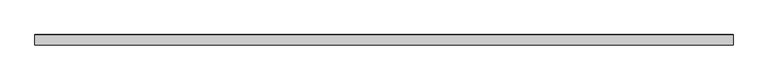
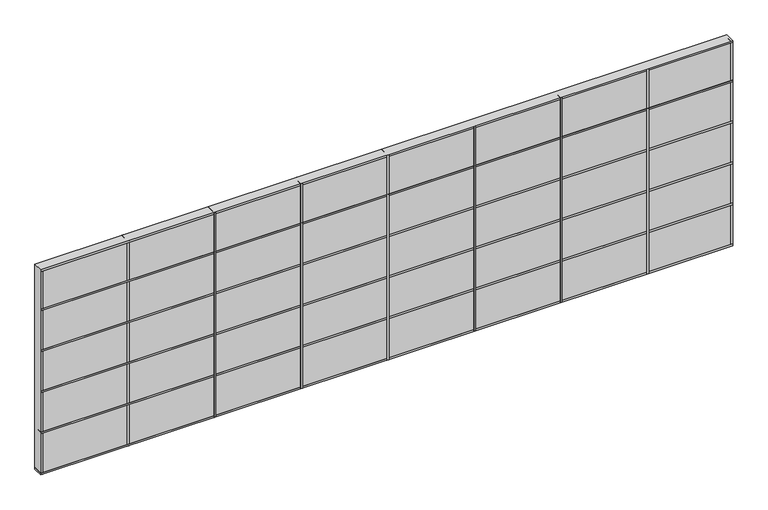
"""IFC4 building model written with IfcOpenShell, lengths in millimetres: plate geometry."""

from ifc_helpers import new_model, si_unit, frame, origin, origin_with_axes, place, context, project, spatial, polyline, outline, extrude, source, transform, mapped, element, save


def plate_61e68bfd(model_context):
    return source(origin(), model_context, "Body", "SweptSolid", [
        extrude(outline(polyline([(2435.225, 34.925), (2435.225, -34.925), (-2435.225, -34.925), (-2435.225, 34.925), (2435.225, 34.925)])), origin_with_axes(), (0.0, 0.0, 1.0), 1524.0),
        extrude(outline(polyline([(1844.675, 35.71875), (1844.675, -35.71875), (1831.975, -35.71875), (1831.975, 35.71875), (1844.675, 35.71875)])), origin_with_axes(), (0.0, 0.0, 1.0), 1524.0),
        extrude(outline(polyline([(1235.075, 35.71875), (1235.075, -35.71875), (1222.375, -35.71875), (1222.375, 35.71875), (1235.075, 35.71875)])), origin_with_axes(), (0.0, 0.0, 1.0), 1524.0),
        extrude(outline(polyline([(625.475, 35.71875), (625.475, -35.71875), (612.775, -35.71875), (612.775, 35.71875), (625.475, 35.71875)])), origin_with_axes(), (0.0, 0.0, 1.0), 1524.0),
        extrude(outline(polyline([(15.875, 35.71875), (15.875, -35.71875), (3.175, -35.71875), (3.175, 35.71875), (15.875, 35.71875)])), origin_with_axes(), (0.0, 0.0, 1.0), 1524.0),
        extrude(outline(polyline([(-593.725, 35.71875), (-593.725, -35.71875), (-606.425, -35.71875), (-606.425, 35.71875), (-593.725, 35.71875)])), origin_with_axes(), (0.0, 0.0, 1.0), 1524.0),
        extrude(outline(polyline([(-1203.325, 35.71875), (-1203.325, -35.71875), (-1216.025, -35.71875), (-1216.025, 35.71875), (-1203.325, 35.71875)])), origin_with_axes(), (0.0, 0.0, 1.0), 1524.0),
        extrude(outline(polyline([(2435.225, 35.71875), (2435.225, -35.71875), (-2435.225, -35.71875), (-2435.225, 35.71875), (2435.225, 35.71875)])), frame((0.0, 0.0, 1219.2), z_axis=(0.0, 0.0, 1.0), x_axis=(1.0, 0.0, 0.0)), (0.0, 0.0, 1.0), 12.7),
        extrude(outline(polyline([(2435.225, 35.71875), (2435.225, -35.71875), (-2435.225, -35.71875), (-2435.225, 35.71875), (2435.225, 35.71875)])), frame((0.0, 0.0, 914.4), z_axis=(0.0, 0.0, 1.0), x_axis=(1.0, 0.0, 0.0)), (0.0, 0.0, 1.0), 12.7),
        extrude(outline(polyline([(2435.225, 35.71875), (2435.225, -35.71875), (-2435.225, -35.71875), (-2435.225, 35.71875), (2435.225, 35.71875)])), frame((0.0, 0.0, 609.6), z_axis=(0.0, 0.0, 1.0), x_axis=(1.0, 0.0, 0.0)), (0.0, 0.0, 1.0), 12.7),
        extrude(outline(polyline([(2435.225, 35.71875), (2435.225, -35.71875), (-2435.225, -35.71875), (-2435.225, 35.71875), (2435.225, 35.71875)])), frame((0.0, 0.0, 1511.3), z_axis=(0.0, 0.0, 1.0), x_axis=(1.0, 0.0, 0.0)), (0.0, 0.0, 1.0), 12.7),
        extrude(outline(polyline([(2435.225, 35.71875), (2435.225, -35.71875), (-2435.225, -35.71875), (-2435.225, 35.71875), (2435.225, 35.71875)])), frame((0.0, 0.0, 304.8), z_axis=(0.0, 0.0, 1.0), x_axis=(1.0, 0.0, 0.0)), (0.0, 0.0, 1.0), 12.7),
        extrude(outline(polyline([(2435.225, 35.71875), (2435.225, -35.71875), (-2435.225, -35.71875), (-2435.225, 35.71875), (2435.225, 35.71875)])), origin_with_axes(), (0.0, 0.0, 1.0), 12.7),
        extrude(outline(polyline([(-1812.925, 35.71875), (-1812.925, -35.71875), (-1825.625, -35.71875), (-1825.625, 35.71875), (-1812.925, 35.71875)])), origin_with_axes(), (0.0, 0.0, 1.0), 1524.0),
        extrude(outline(polyline([(2435.225, 35.71875), (2435.225, -35.71875), (2422.525, -35.71875), (2422.525, 35.71875), (2435.225, 35.71875)])), origin_with_axes(), (0.0, 0.0, 1.0), 1524.0),
        extrude(outline(polyline([(-2422.525, 35.71875), (-2422.525, -35.71875), (-2435.225, -35.71875), (-2435.225, 35.71875), (-2422.525, 35.71875)])), origin_with_axes(), (0.0, 0.0, 1.0), 1524.0),
    ])


if __name__ == "__main__":
    model = new_model("IFC4")
    model_context = context("Model", 3, world=origin())
    ifc_project = project(units=[si_unit("LENGTHUNIT", "METRE", prefix="MILLI")], contexts=[model_context])
    site = spatial("IfcSite", under=ifc_project)
    building = spatial("IfcBuilding", under=site)
    placement = place(None, origin())
    plate_shape = plate_61e68bfd(model_context)
    element("IfcPlate", 1, at=placement, inside=building, context=model_context, shape_type="MappedRepresentation", body=[
        mapped(plate_shape, transform((0.0, 0.0, 0.0), x_axis=(1.0, 0.0, 0.0), y_axis=(0.0, 1.0, 0.0), z_axis=(0.0, 0.0, 1.0))),
    ])
    save(model, "model.ifc")
